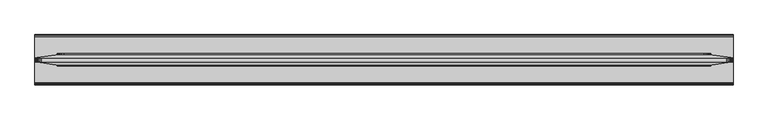
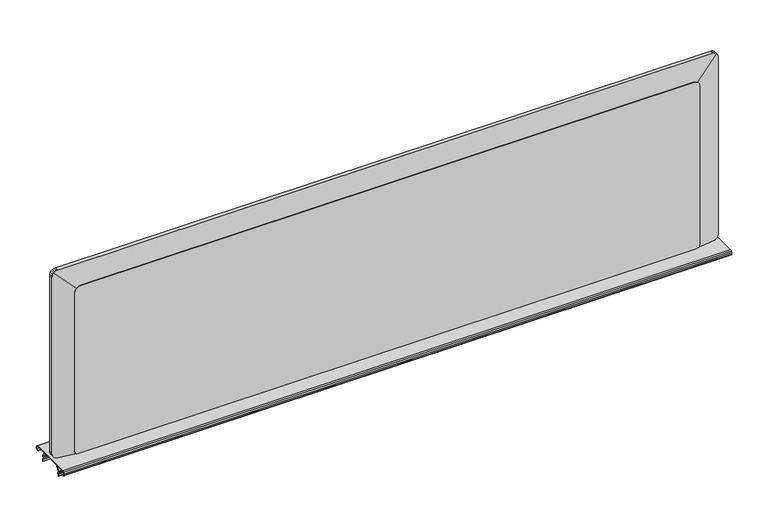
"""IFC4 building model written with IfcOpenShell, lengths in millimetres: furniture geometry."""

from ifc_helpers import new_model, si_unit, point, frame, frame_2d, origin, place, context, project, spatial, polyline, circle_curve, trimmed, segment, composite_curve, outline, extrude, faceted_brep, source, transform, mapped, element, save


def furniture_0e146b52(model_context):
    return source(origin(), model_context, "Body", "SolidModel", [
        extrude(outline(composite_curve([segment(trimmed(circle_curve(frame_2d((-75.1928863, 724.5257415)), 2.430138), [point((-76.6170666, 722.5566602))], [point((-77.2846954, 725.762635))], False, "CARTESIAN"), True, "CONTINUOUS"), segment(polyline([(-77.2846954, 725.762635), (-76.0762752, 727.8062905)]), True, "CONTINUOUS"), segment(trimmed(circle_curve(frame_2d((-74.0187119, 726.5896466)), 2.3903534), [point((-76.0762752, 727.8062905))], [point((-74.0187119, 728.98))], False, "CARTESIAN"), True, "CONTINUOUS"), segment(polyline([(-74.0187119, 728.98), (-4.2648863, 728.98)]), True, "CONTINUOUS"), segment(trimmed(circle_curve(frame_2d((-4.2648863, 726.5896466)), 2.3903534), [point((-4.2648863, 728.98))], [point((-2.207323, 727.8062905))], False, "CARTESIAN"), True, "CONTINUOUS"), segment(polyline([(-2.207323, 727.8062905), (-0.9989028, 725.762635)]), True, "CONTINUOUS"), segment(trimmed(circle_curve(frame_2d((-3.0907119, 724.5257415)), 2.430138), [point((-0.9989028, 725.762635))], [point((-1.6665316, 722.5566602))], False, "CARTESIAN"), True, "CONTINUOUS"), segment(polyline([(-1.6665316, 722.5566602), (-4.4860224, 720.5174031), (-4.9474775, 721.155414), (-2.1279867, 723.1946711)]), True, "CONTINUOUS"), segment(trimmed(circle_curve(frame_2d((-3.0907119, 724.5257415)), 1.642738), [point((-2.1279867, 723.1946711))], [point((-1.6766793, 725.3618636))], True, "CARTESIAN"), True, "CONTINUOUS"), segment(polyline([(-1.6766793, 725.3618636), (-2.8850995, 727.4055191)]), True, "CONTINUOUS"), segment(trimmed(circle_curve(frame_2d((-4.2648863, 726.5896466)), 1.6029534), [point((-2.8850995, 727.4055191))], [point((-4.2648863, 728.1926))], True, "CARTESIAN"), True, "CONTINUOUS"), segment(polyline([(-4.2648863, 728.1926), (-74.0187119, 728.1926)]), True, "CONTINUOUS"), segment(trimmed(circle_curve(frame_2d((-74.0187119, 726.5896466)), 1.6029534), [point((-74.0187119, 728.1926))], [point((-75.3984987, 727.4055191))], True, "CARTESIAN"), True, "CONTINUOUS"), segment(polyline([(-75.3984987, 727.4055191), (-76.6069189, 725.3618636)]), True, "CONTINUOUS"), segment(trimmed(circle_curve(frame_2d((-75.1928863, 724.5257415)), 1.642738), [point((-76.6069189, 725.3618636))], [point((-76.1556115, 723.1946711))], True, "CARTESIAN"), True, "CONTINUOUS"), segment(polyline([(-76.1556115, 723.1946711), (-73.3361207, 721.155414), (-73.7975758, 720.5174031), (-76.6170666, 722.5566602)]), True, "CONTINUOUS")], self_intersect=False)), frame((0.9128077, 0.0, 0.0), z_axis=(1.0, 0.0, 0.0), x_axis=(0.0, 1.0, 0.0)), (0.0, 0.0, 1.0), 1064.9743847),
        extrude(outline(composite_curve([segment(polyline([(-56.0461627, 728.1926), (-55.1072956, 728.1926), (-60.3912441, 720.0560387)]), True, "CONTINUOUS"), segment(trimmed(circle_curve(frame_2d((-59.5056044, 719.4808971)), 1.0560045), [point((-60.3912441, 720.0560387))], [point((-60.3859585, 718.8976971))], True, "CARTESIAN"), True, "CONTINUOUS"), segment(polyline([(-60.3859585, 718.8976971), (-59.3045938, 717.2653517)]), True, "CONTINUOUS"), segment(trimmed(circle_curve(frame_2d((-60.7484403, 716.3088601)), 1.7319264), [point((-59.3045938, 717.2653517))], [point((-59.5749626, 715.0350787))], False, "CARTESIAN"), True, "CONTINUOUS"), segment(polyline([(-59.5749626, 715.0350787), (-60.3183145, 714.3502619)]), True, "CONTINUOUS"), segment(trimmed(circle_curve(frame_2d((-59.7283038, 713.7098197)), 0.8707921), [point((-60.3183145, 714.3502619))], [point((-60.5065655, 713.319195))], True, "CARTESIAN"), True, "CONTINUOUS"), segment(polyline([(-60.5065655, 713.319195), (-59.6251222, 711.5630501), (-60.328853, 711.2098339), (-61.2102963, 712.9659788)]), True, "CONTINUOUS"), segment(trimmed(circle_curve(frame_2d((-59.7283038, 713.7098197)), 1.6581921), [point((-61.2102963, 712.9659788))], [point((-60.8518224, 714.9293717))], False, "CARTESIAN"), True, "CONTINUOUS"), segment(polyline([(-60.8518224, 714.9293717), (-60.1084705, 715.6141884)]), True, "CONTINUOUS"), segment(trimmed(circle_curve(frame_2d((-60.7484403, 716.3088601)), 0.9445264), [point((-60.1084705, 715.6141884))], [point((-59.9610216, 716.830494))], True, "CARTESIAN"), True, "CONTINUOUS"), segment(polyline([(-59.9610216, 716.830494), (-61.0423863, 718.4628394)]), True, "CONTINUOUS"), segment(trimmed(circle_curve(frame_2d((-59.5056044, 719.4808971)), 1.8434045), [point((-61.0423863, 718.4628394))], [point((-61.0516132, 720.4848877))], False, "CARTESIAN"), True, "CONTINUOUS"), segment(polyline([(-61.0516132, 720.4848877), (-56.0461627, 728.1926)]), True, "CONTINUOUS")], self_intersect=False)), frame((1.6764, 0.0, 0.0), z_axis=(1.0, 0.0, 0.0), x_axis=(0.0, 1.0, 0.0)), (0.0, 0.0, 1.0), 1063.4472),
        extrude(outline(composite_curve([segment(polyline([(-22.2374355, 728.1926), (-17.231985, 720.4848877)]), True, "CONTINUOUS"), segment(trimmed(circle_curve(frame_2d((-18.7779938, 719.4808971)), 1.8434045), [point((-17.231985, 720.4848877))], [point((-17.2412119, 718.4628394))], False, "CARTESIAN"), True, "CONTINUOUS"), segment(polyline([(-17.2412119, 718.4628394), (-18.3225766, 716.830494)]), True, "CONTINUOUS"), segment(trimmed(circle_curve(frame_2d((-17.5351579, 716.3088601)), 0.9445264), [point((-18.3225766, 716.830494))], [point((-18.1751277, 715.6141884))], True, "CARTESIAN"), True, "CONTINUOUS"), segment(polyline([(-18.1751277, 715.6141884), (-17.4317758, 714.9293717)]), True, "CONTINUOUS"), segment(trimmed(circle_curve(frame_2d((-18.5552944, 713.7098197)), 1.6581921), [point((-17.4317758, 714.9293717))], [point((-17.0733019, 712.9659788))], False, "CARTESIAN"), True, "CONTINUOUS"), segment(polyline([(-17.0733019, 712.9659788), (-17.9547452, 711.2098339), (-18.658476, 711.5630501), (-17.7770327, 713.319195)]), True, "CONTINUOUS"), segment(trimmed(circle_curve(frame_2d((-18.5552944, 713.7098197)), 0.8707921), [point((-17.7770327, 713.319195))], [point((-17.9652837, 714.3502619))], True, "CARTESIAN"), True, "CONTINUOUS"), segment(polyline([(-17.9652837, 714.3502619), (-18.7086356, 715.0350787)]), True, "CONTINUOUS"), segment(trimmed(circle_curve(frame_2d((-17.5351579, 716.3088601)), 1.7319264), [point((-18.7086356, 715.0350787))], [point((-18.9790044, 717.2653517))], False, "CARTESIAN"), True, "CONTINUOUS"), segment(polyline([(-18.9790044, 717.2653517), (-17.8976397, 718.8976971)]), True, "CONTINUOUS"), segment(trimmed(circle_curve(frame_2d((-18.7779938, 719.4808971)), 1.0560045), [point((-17.8976397, 718.8976971))], [point((-17.8923541, 720.0560387))], True, "CARTESIAN"), True, "CONTINUOUS"), segment(polyline([(-17.8923541, 720.0560387), (-23.1763025, 728.1926), (-22.2374355, 728.1926)]), True, "CONTINUOUS")], self_intersect=False)), frame((1.6764, 0.0, 0.0), z_axis=(1.0, 0.0, 0.0), x_axis=(0.0, 1.0, 0.0)), (0.0, 0.0, 1.0), 1063.4472),
        faceted_brep([(1028.7706046, -31.0258914, 728.98), (1028.7706046, -31.0258914, 1008.3242273), (1062.210999, -35.7256324, 1041.7646217), (1063.6505813, -35.9279525, 1039.9108416), (1064.6654782, -36.0705869, 1037.5851115), (1065.129602, -36.1358153, 1034.9711867), (1065.129602, -36.1358153, 738.6922143), (1064.6654782, -36.0705869, 736.0782895), (1063.6505813, -35.9279525, 733.7525594), (1062.1657155, -35.7192682, 731.8404668), (1060.57837, -35.4961813, 730.559295), (1058.1892336, -35.1604101, 729.47128), (1055.5816683, -34.7939407, 728.98), (1028.7706046, -47.5358914, 1008.3242273), (1028.7706046, -47.5358914, 728.98), (1055.5816683, -43.5773568, 728.98), (1058.1892336, -43.1923614, 729.47128), (1060.57837, -42.839616, 730.559295), (1062.1657155, -42.6052515, 731.8404668), (1063.6505813, -42.3860176, 733.7525594), (1064.6654782, -42.2361726, 736.0782895), (1065.129602, -42.1676468, 738.6922143), (1065.129602, -42.1676468, 1034.9711867), (1064.6654782, -42.2361726, 1037.5851115), (1063.6505813, -42.3860176, 1039.9108416), (1062.210999, -42.5985656, 1041.7646217), (38.0293954, -31.0258914, 1008.3242273), (38.0293954, -31.0258914, 728.9993375), (11.2802637, -34.7852367, 728.9993375), (8.6107664, -35.1604101, 729.5022859), (6.22163, -35.4961813, 730.5903009), (4.6342845, -35.7192682, 731.8714727), (3.1494187, -35.9279525, 733.7835652), (2.1345218, -36.0705869, 736.1092954), (1.670398, -36.1358153, 738.7232202), (1.670398, -36.1358153, 1034.9711867), (2.1345218, -36.0705869, 1037.5851115), (3.1494187, -35.9279525, 1039.9108416), (4.589001, -35.7256324, 1041.7646217), (38.0293954, -47.5358914, 728.9993375), (38.0293954, -47.5358914, 1008.3242273), (4.589001, -42.5985656, 1041.7646217), (3.1494187, -42.3860176, 1039.9108416), (2.1345218, -42.2361726, 1037.5851115), (1.670398, -42.1676468, 1034.9711867), (1.670398, -42.1676468, 738.7232202), (2.1345218, -42.2361726, 736.1092954), (3.1494187, -42.3860176, 733.7835652), (4.6342845, -42.6052515, 731.8714727), (6.22163, -42.839616, 730.5903009), (8.6107664, -43.1923614, 729.5022859), (11.2802637, -43.5865008, 728.9993375), (6.22163, -35.9138846, 1043.104106), (8.6107664, -36.0667951, 1044.192121), (11.2173961, -36.1358153, 1044.6832247), (1055.5826039, -36.1358153, 1044.6832247), (1058.1892336, -36.0667951, 1044.192121), (1060.57837, -35.9138846, 1043.104106), (1060.57837, -42.4007967, 1043.104106), (1058.1892336, -42.2401561, 1044.192121), (1055.5826039, -42.1676468, 1044.6832247), (11.2173961, -42.1676468, 1044.6832247), (8.6107664, -42.2401561, 1044.192121), (6.22163, -42.4007967, 1043.104106)], [[[0, 1, 2, 3, 4, 5, 6, 7, 8, 9, 10, 11, 12]], [[13, 14, 15, 16, 17, 18, 19, 20, 21, 22, 23, 24, 25]], [[26, 27, 28, 29, 30, 31, 32, 33, 34, 35, 36, 37, 38]], [[39, 40, 41, 42, 43, 44, 45, 46, 47, 48, 49, 50, 51]], [[1, 26, 38, 52, 53, 54, 55, 56, 57, 2]], [[40, 13, 25, 58, 59, 60, 61, 62, 63, 41]], [[1, 0, 14, 13]], [[39, 27, 26, 40]], [[26, 1, 13, 40]], [[33, 46, 45, 34]], [[46, 33, 32, 47]], [[47, 32, 31, 48]], [[48, 31, 30, 49]], [[49, 30, 29, 50]], [[50, 29, 28, 51]], [[27, 39, 51, 28]], [[14, 0, 12, 15]], [[34, 45, 44, 35]], [[54, 61, 60, 55]], [[21, 6, 5, 22]], [[20, 7, 6, 21]], [[7, 20, 19, 8]], [[8, 19, 18, 9]], [[9, 18, 17, 10]], [[10, 17, 16, 11]], [[11, 16, 15, 12]], [[43, 36, 35, 44]], [[36, 43, 42, 37]], [[41, 38, 37, 42]], [[38, 41, 63, 52]], [[52, 63, 62, 53]], [[53, 62, 61, 54]], [[4, 23, 22, 5]], [[23, 4, 3, 24]], [[2, 25, 24, 3]], [[25, 2, 57, 58]], [[58, 57, 56, 59]], [[59, 56, 55, 60]]]),
        extrude(outline(composite_curve([segment(polyline([(1011.0489743, 1021.3013514), (1011.0489743, 45.4986486), (1010.3629293, 41.8573286), (1009.2748416, 39.4681922), (1007.9936698, 37.8808467), (1006.0815772, 36.3959812), (1003.7559198, 35.3810842), (1001.0987236, 34.9949365), (733.7554514, 34.9949365)]), True, "CONTINUOUS"), segment(trimmed(circle_curve(frame_2d((733.7554514, 39.7510504)), 4.7561139), [point((733.7554514, 34.9949365))], [point((728.9993375, 39.7510504))], False, "CARTESIAN"), True, "CONTINUOUS"), segment(polyline([(728.9993375, 39.7510504), (728.9993375, 1024.01858)]), True, "CONTINUOUS"), segment(trimmed(circle_curve(frame_2d((736.785821, 1024.01858)), 7.7864835), [point((728.9993375, 1024.01858))], [point((736.785821, 1031.8050635))], False, "CARTESIAN"), True, "CONTINUOUS"), segment(polyline([(736.785821, 1031.8050635), (1001.0987236, 1031.8050635), (1003.7559198, 1031.4189158), (1006.0815772, 1030.4040188), (1007.9936698, 1028.9191533), (1009.2748416, 1027.3318078), (1010.3629293, 1024.9426714), (1011.0489743, 1021.3013514)]), True, "CONTINUOUS")], self_intersect=False)), frame((0.0, -48.8058914, 0.0), z_axis=(0.0, 1.0, 0.0), x_axis=(0.0, 0.0, 1.0)), (0.0, 0.0, 1.0), 19.05),
    ])


if __name__ == "__main__":
    model = new_model("IFC4")
    model_context = context("Model", 3, world=origin())
    ifc_project = project(units=[si_unit("LENGTHUNIT", "METRE", prefix="MILLI")], contexts=[model_context])
    site = spatial("IfcSite", under=ifc_project)
    building = spatial("IfcBuilding", under=site)
    placement = place(None, origin())
    furniture_shape = furniture_0e146b52(model_context)
    element("IfcFurniture", 1, at=placement, inside=building, context=model_context, shape_type="MappedRepresentation", body=[
        mapped(furniture_shape, transform((0.0, 0.0, 0.0), x_axis=(1.0, 0.0, 0.0), y_axis=(0.0, 1.0, 0.0), z_axis=(0.0, 0.0, 1.0))),
    ])
    save(model, "model.ifc")
